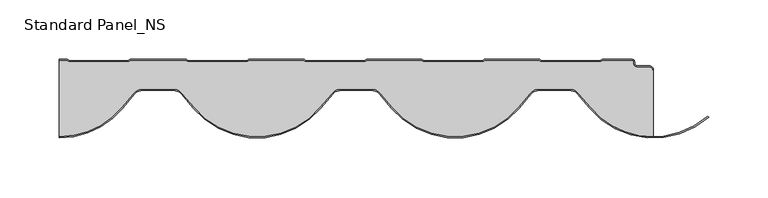
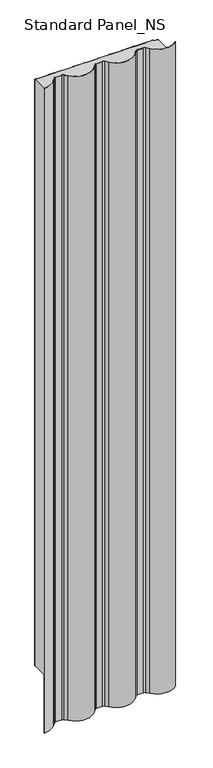
"""IFC4 building model written with IfcOpenShell, lengths in millimetres: proxy geometry, Standard Panel_NS."""

from ifc_helpers import new_model, si_unit, point, frame, frame_2d, origin, origin_with_axes, place, context, project, spatial, polyline, circle_curve, trimmed, segment, composite_curve, outline, extrude, source, transform, mapped, element, save


def standard_panel_ns_c7dbaa50(model_context):
    return source(origin(), model_context, "Body", "SweptSolid", [
        extrude(outline(composite_curve([segment(trimmed(circle_curve(frame_2d((-250.0019094, 4.0757294)), 69.0757185), [point((-197.0868605, -40.3253121))], [point((-249.4999998, -64.9981657))], False, "CARTESIAN"), True, "CONTINUOUS"), segment(polyline([(-249.4999998, -64.9981657), (-249.4999998, -1.0), (-242.9088584, -1.0), (-241.1768076, -2.0), (-191.7571923, -2.0), (-190.0251415, -1.0), (-143.0079563, -1.0), (-141.2759055, -2.0), (-91.8562902, -2.0), (-90.1242394, -1.0), (-44.0079563, -1.0), (-42.2759055, -2.0), (7.1437098, -2.0), (8.8757606, -1.0), (55.1361929, -1.0), (56.8682437, -2.0), (106.2878589, -2.0), (108.0199097, -1.0), (154.1361929, -1.0), (155.8682437, -2.0), (205.2878589, -2.0), (207.0199097, -1.0), (232.2144661, -1.0)]), True, "CONTINUOUS"), segment(trimmed(circle_curve(frame_2d((232.2144661, -1.9)), 0.9), [point((232.2144661, -1.0))], [point((233.1144661, -1.9))], False, "CARTESIAN"), True, "CONTINUOUS"), segment(polyline([(233.1144661, -1.9), (233.1144661, -3.3)]), True, "CONTINUOUS"), segment(trimmed(circle_curve(frame_2d((236.2144661, -3.3)), 3.1), [point((233.1144661, -3.3))], [point((236.2144661, -6.4))], True, "CARTESIAN"), True, "CONTINUOUS"), segment(polyline([(236.2144661, -6.4), (246.5000906, -6.4)]), True, "CONTINUOUS"), segment(trimmed(circle_curve(frame_2d((246.5000906, -8.9)), 2.5), [point((246.5000906, -6.4))], [point((249.0000906, -8.9))], False, "CARTESIAN"), True, "CONTINUOUS"), segment(polyline([(249.0000906, -8.9), (250.0000906, -8.9), (250.0000906, -64.999989)]), True, "CONTINUOUS"), segment(trimmed(circle_curve(frame_2d((249.9960906, 4.0757294)), 69.0757185), [point((250.0000906, -64.999989))], [point((197.0810203, -40.3252866))], False, "CARTESIAN"), True, "CONTINUOUS"), segment(polyline([(197.0810203, -40.3252866), (187.2938708, -28.6614162)]), True, "CONTINUOUS"), segment(trimmed(circle_curve(frame_2d((179.4419153, -35.2499892)), 10.25), [point((187.2938708, -28.6614162))], [point((179.4419153, -24.9999892))], True, "CARTESIAN"), True, "CONTINUOUS"), segment(polyline([(179.4419153, -24.9999892), (153.8837706, -24.9999892)]), True, "CONTINUOUS"), segment(trimmed(circle_curve(frame_2d((153.8804815, -35.2418743)), 10.2418857), [point((153.8837706, -24.9999892))], [point((146.0321821, -28.6615689))], True, "CARTESIAN"), True, "CONTINUOUS"), segment(polyline([(146.0321821, -28.6615689), (136.2451609, -40.3252866)]), True, "CONTINUOUS"), segment(trimmed(circle_curve(frame_2d((83.3300906, 4.0757294)), 69.0757185), [point((136.2451609, -40.3252866))], [point((30.4150203, -40.3252866))], False, "CARTESIAN"), True, "CONTINUOUS"), segment(polyline([(30.4150203, -40.3252866), (20.6278708, -28.6614162)]), True, "CONTINUOUS"), segment(trimmed(circle_curve(frame_2d((12.7759153, -35.2499892)), 10.25), [point((20.6278708, -28.6614162))], [point((12.7759153, -24.9999892))], True, "CARTESIAN"), True, "CONTINUOUS"), segment(polyline([(12.7759153, -24.9999892), (-12.7822294, -24.9999892)]), True, "CONTINUOUS"), segment(trimmed(circle_curve(frame_2d((-12.7855185, -35.2418743)), 10.2418857), [point((-12.7822294, -24.9999892))], [point((-20.6338179, -28.661569))], True, "CARTESIAN"), True, "CONTINUOUS"), segment(polyline([(-20.6338179, -28.661569), (-30.4208391, -40.3252866)]), True, "CONTINUOUS"), segment(trimmed(circle_curve(frame_2d((-83.3359094, 4.0757294)), 69.0757185), [point((-30.4208391, -40.3252866))], [point((-136.2510197, -40.325239))], False, "CARTESIAN"), True, "CONTINUOUS"), segment(polyline([(-136.2510197, -40.325239), (-146.0381194, -28.6614065)]), True, "CONTINUOUS"), segment(trimmed(circle_curve(frame_2d((-153.8900883, -35.2499786)), 10.2500097), [point((-146.0381194, -28.6614065))], [point((-153.8900883, -24.9999689))], True, "CARTESIAN"), True, "CONTINUOUS"), segment(polyline([(-153.8900883, -24.9999689), (-179.4481443, -24.9999689)]), True, "CONTINUOUS"), segment(trimmed(circle_curve(frame_2d((-179.4481443, -35.2490325)), 10.2490635), [point((-179.4481443, -24.9999689))], [point((-187.2993793, -28.6610576))], True, "CARTESIAN"), True, "CONTINUOUS"), segment(polyline([(-187.2993793, -28.6610576), (-197.0868605, -40.3253121)]), True, "CONTINUOUS")], self_intersect=False)), origin_with_axes(), (0.0, 0.0, 1.0), 2527.968552),
        extrude(outline(composite_curve([segment(polyline([(-242.9088584, -1.0), (-249.4999998, -1.0), (-249.4999998, 0.0), (-243.0830254, 0.0)]), True, "CONTINUOUS"), segment(trimmed(circle_curve(frame_2d((-243.0830254, -1.65)), 1.65), [point((-243.0830254, 0.0))], [point((-242.2580254, -0.2210581))], False, "CARTESIAN"), True, "CONTINUOUS"), segment(polyline([(-242.2580254, -0.2210581), (-240.9088584, -1.0), (-192.0251415, -1.0), (-190.6759746, -0.2210581)]), True, "CONTINUOUS"), segment(trimmed(circle_curve(frame_2d((-189.8509746, -1.65)), 1.65), [point((-190.6759746, -0.2210581))], [point((-189.8509746, 0.0))], False, "CARTESIAN"), True, "CONTINUOUS"), segment(polyline([(-189.8509746, 0.0), (-143.1821233, 0.0)]), True, "CONTINUOUS"), segment(trimmed(circle_curve(frame_2d((-143.1821233, -1.65)), 1.65), [point((-143.1821233, 0.0))], [point((-142.3571233, -0.2210581))], False, "CARTESIAN"), True, "CONTINUOUS"), segment(polyline([(-142.3571233, -0.2210581), (-141.0079563, -1.0), (-92.1242394, -1.0), (-90.7750725, -0.2210581)]), True, "CONTINUOUS"), segment(trimmed(circle_curve(frame_2d((-89.9500725, -1.65)), 1.65), [point((-90.7750725, -0.2210581))], [point((-89.9500725, 0.0))], False, "CARTESIAN"), True, "CONTINUOUS"), segment(polyline([(-89.9500725, 0.0), (-44.0307229, 0.0)]), True, "CONTINUOUS"), segment(trimmed(circle_curve(frame_2d((-44.0307229, -1.2379622)), 1.2379622), [point((-44.0307229, 0.0))], [point((-43.2277028, -0.295779))], False, "CARTESIAN"), True, "CONTINUOUS"), segment(polyline([(-43.2277028, -0.295779), (-42.0079563, -1.0), (6.8757606, -1.0), (8.2249275, -0.2210581)]), True, "CONTINUOUS"), segment(trimmed(circle_curve(frame_2d((9.0499275, -1.65)), 1.65), [point((8.2249275, -0.2210581))], [point((9.0499275, 0.0))], False, "CARTESIAN"), True, "CONTINUOUS"), segment(polyline([(9.0499275, 0.0), (54.9620259, 0.0)]), True, "CONTINUOUS"), segment(trimmed(circle_curve(frame_2d((54.9620259, -1.65)), 1.65), [point((54.9620259, 0.0))], [point((55.7870259, -0.2210581))], False, "CARTESIAN"), True, "CONTINUOUS"), segment(polyline([(55.7870259, -0.2210581), (57.1361929, -1.0), (106.0199097, -1.0), (107.2442864, -0.2931058)]), True, "CONTINUOUS"), segment(trimmed(circle_curve(frame_2d((108.0426763, -1.2339188)), 1.2339188), [point((107.2442864, -0.2931058))], [point((108.0426763, 0.0))], False, "CARTESIAN"), True, "CONTINUOUS"), segment(polyline([(108.0426763, 0.0), (153.9620259, 0.0)]), True, "CONTINUOUS"), segment(trimmed(circle_curve(frame_2d((153.9620259, -1.65)), 1.65), [point((153.9620259, 0.0))], [point((154.7870259, -0.2210581))], False, "CARTESIAN"), True, "CONTINUOUS"), segment(polyline([(154.7870259, -0.2210581), (156.1361929, -1.0), (205.0199097, -1.0), (206.3690767, -0.2210581)]), True, "CONTINUOUS"), segment(trimmed(circle_curve(frame_2d((207.1940767, -1.65)), 1.65), [point((206.3690767, -0.2210581))], [point((207.1940767, 0.0))], False, "CARTESIAN"), True, "CONTINUOUS"), segment(polyline([(207.1940767, 0.0), (232.2144661, 0.0)]), True, "CONTINUOUS"), segment(trimmed(circle_curve(frame_2d((232.2144661, -1.9)), 1.9), [point((232.2144661, 0.0))], [point((234.1144661, -1.9))], False, "CARTESIAN"), True, "CONTINUOUS"), segment(polyline([(234.1144661, -1.9), (234.1144661, -3.3)]), True, "CONTINUOUS"), segment(trimmed(circle_curve(frame_2d((236.2144661, -3.3)), 2.1), [point((234.1144661, -3.3))], [point((236.2144661, -5.4))], True, "CARTESIAN"), True, "CONTINUOUS"), segment(polyline([(236.2144661, -5.4), (246.5000906, -5.4)]), True, "CONTINUOUS"), segment(trimmed(circle_curve(frame_2d((246.5000906, -8.9)), 3.5), [point((246.5000906, -5.4))], [point((250.0000906, -8.9))], False, "CARTESIAN"), True, "CONTINUOUS"), segment(polyline([(250.0000906, -8.9), (249.0000906, -8.9)]), True, "CONTINUOUS"), segment(trimmed(circle_curve(frame_2d((246.5000906, -8.9)), 2.5), [point((249.0000906, -8.9))], [point((246.5000906, -6.4))], True, "CARTESIAN"), True, "CONTINUOUS"), segment(polyline([(246.5000906, -6.4), (236.2144661, -6.4)]), True, "CONTINUOUS"), segment(trimmed(circle_curve(frame_2d((236.2144661, -3.3)), 3.1), [point((236.2144661, -6.4))], [point((233.1144661, -3.3))], False, "CARTESIAN"), True, "CONTINUOUS"), segment(polyline([(233.1144661, -3.3), (233.1144661, -1.9)]), True, "CONTINUOUS"), segment(trimmed(circle_curve(frame_2d((232.2144661, -1.9)), 0.9), [point((233.1144661, -1.9))], [point((232.2144661, -1.0))], True, "CARTESIAN"), True, "CONTINUOUS"), segment(polyline([(232.2144661, -1.0), (207.0199097, -1.0), (205.2878589, -2.0), (155.8682437, -2.0), (154.1361929, -1.0), (108.0199097, -1.0), (106.2878589, -2.0), (56.8682437, -2.0), (55.1361929, -1.0), (8.8757606, -1.0), (7.1437098, -2.0), (-42.2759055, -2.0), (-44.0079563, -1.0), (-90.1242394, -1.0), (-91.8562902, -2.0), (-141.2759055, -2.0), (-143.0079563, -1.0), (-190.0251415, -1.0), (-191.7571923, -2.0), (-241.1768076, -2.0), (-242.9088584, -1.0)]), True, "CONTINUOUS")], self_intersect=False)), origin_with_axes(), (0.0, 0.0, 1.0), 2527.968552),
        extrude(outline(composite_curve([segment(trimmed(circle_curve(frame_2d((-250.0019094, 4.0751186)), 70.0757185), [point((-196.3208164, -40.9687109))], [point((-249.4999998, -65.9988025))], False, "CARTESIAN"), True, "CONTINUOUS"), segment(polyline([(-249.4999998, -65.9988025), (-249.4999998, -64.9987764)]), True, "CONTINUOUS"), segment(trimmed(circle_curve(frame_2d((-250.0019094, 4.0751186)), 69.0757185), [point((-249.4999998, -64.9987764))], [point((-197.0868605, -40.3259229))], True, "CARTESIAN"), True, "CONTINUOUS"), segment(polyline([(-197.0868605, -40.3259229), (-187.2993793, -28.6616684)]), True, "CONTINUOUS"), segment(trimmed(circle_curve(frame_2d((-179.4481443, -35.2496432)), 10.2490635), [point((-187.2993793, -28.6616684))], [point((-179.4481443, -25.0005797))], False, "CARTESIAN"), True, "CONTINUOUS"), segment(polyline([(-179.4481443, -25.0005797), (-153.8900883, -25.0005797)]), True, "CONTINUOUS"), segment(trimmed(circle_curve(frame_2d((-153.8900883, -35.2505893)), 10.2500097), [point((-153.8900883, -25.0005797))], [point((-146.0381194, -28.6620172))], False, "CARTESIAN"), True, "CONTINUOUS"), segment(polyline([(-146.0381194, -28.6620172), (-136.2510197, -40.3258498)]), True, "CONTINUOUS"), segment(trimmed(circle_curve(frame_2d((-83.3359094, 4.0751186)), 69.0757185), [point((-136.2510197, -40.3258498))], [point((-30.4208391, -40.3258974))], True, "CARTESIAN"), True, "CONTINUOUS"), segment(polyline([(-30.4208391, -40.3258974), (-20.6338179, -28.6621797)]), True, "CONTINUOUS"), segment(trimmed(circle_curve(frame_2d((-12.7855185, -35.2424851)), 10.2418857), [point((-20.6338179, -28.6621797))], [point((-12.7822295, -25.0005999))], False, "CARTESIAN"), True, "CONTINUOUS"), segment(polyline([(-12.7822295, -25.0005999), (12.7759153, -25.0005999)]), True, "CONTINUOUS"), segment(trimmed(circle_curve(frame_2d((12.7759153, -35.2505999)), 10.25), [point((12.7759153, -25.0005999))], [point((20.6278708, -28.6620269))], False, "CARTESIAN"), True, "CONTINUOUS"), segment(polyline([(20.6278708, -28.6620269), (30.4150203, -40.3258974)]), True, "CONTINUOUS"), segment(trimmed(circle_curve(frame_2d((83.3300906, 4.0751186)), 69.0757185), [point((30.4150203, -40.3258974))], [point((136.2451609, -40.3258974))], True, "CARTESIAN"), True, "CONTINUOUS"), segment(polyline([(136.2451609, -40.3258974), (146.0321821, -28.6621797)]), True, "CONTINUOUS"), segment(trimmed(circle_curve(frame_2d((153.8804815, -35.2424851)), 10.2418857), [point((146.0321821, -28.6621797))], [point((153.8837705, -25.0005999))], False, "CARTESIAN"), True, "CONTINUOUS"), segment(polyline([(153.8837705, -25.0005999), (179.4419153, -25.0005999)]), True, "CONTINUOUS"), segment(trimmed(circle_curve(frame_2d((179.4419153, -35.2505999)), 10.25), [point((179.4419153, -25.0005999))], [point((187.2938708, -28.6620269))], False, "CARTESIAN"), True, "CONTINUOUS"), segment(polyline([(187.2938708, -28.6620269), (197.0810203, -40.3258974)]), True, "CONTINUOUS"), segment(trimmed(circle_curve(frame_2d((249.9960906, 4.0751186)), 69.0757185), [point((197.0810203, -40.3258974))], [point((295.6376563, -47.7737229))], True, "CARTESIAN"), True, "CONTINUOUS"), segment(polyline([(295.6376563, -47.7737229), (296.3461744, -48.4822411)]), True, "CONTINUOUS"), segment(trimmed(circle_curve(frame_2d((249.9960906, 4.0751186)), 70.0757185), [point((296.3461744, -48.4822411))], [point((196.3149758, -40.968685))], False, "CARTESIAN"), True, "CONTINUOUS"), segment(polyline([(196.3149758, -40.968685), (186.5278264, -29.3048145)]), True, "CONTINUOUS"), segment(trimmed(circle_curve(frame_2d((179.4419153, -35.2505999)), 9.25), [point((186.5278264, -29.3048145))], [point((179.4419153, -26.0005999))], True, "CARTESIAN"), True, "CONTINUOUS"), segment(polyline([(179.4419153, -26.0005999), (153.8836059, -26.0005999)]), True, "CONTINUOUS"), segment(trimmed(circle_curve(frame_2d((153.8804815, -35.2424851)), 9.2418857), [point((153.8836059, -26.0005999))], [point((146.7983548, -29.3048145))], True, "CARTESIAN"), True, "CONTINUOUS"), segment(polyline([(146.7983548, -29.3048145), (137.0112053, -40.968685)]), True, "CONTINUOUS"), segment(trimmed(circle_curve(frame_2d((83.3300906, 4.0751186)), 70.0757185), [point((137.0112053, -40.968685))], [point((29.6489758, -40.968685))], False, "CARTESIAN"), True, "CONTINUOUS"), segment(polyline([(29.6489758, -40.968685), (19.8618264, -29.3048145)]), True, "CONTINUOUS"), segment(trimmed(circle_curve(frame_2d((12.7759153, -35.2505999)), 9.25), [point((19.8618264, -29.3048145))], [point((12.7759153, -26.0005999))], True, "CARTESIAN"), True, "CONTINUOUS"), segment(polyline([(12.7759153, -26.0005999), (-12.7823941, -26.0005999)]), True, "CONTINUOUS"), segment(trimmed(circle_curve(frame_2d((-12.7855185, -35.2424851)), 9.2418857), [point((-12.7823941, -26.0005999))], [point((-19.8676452, -29.3048145))], True, "CARTESIAN"), True, "CONTINUOUS"), segment(polyline([(-19.8676452, -29.3048145), (-29.6547947, -40.968685)]), True, "CONTINUOUS"), segment(trimmed(circle_curve(frame_2d((-83.3359094, 4.0751186)), 70.0757185), [point((-29.6547947, -40.968685))], [point((-137.0170647, -40.9686367))], False, "CARTESIAN"), True, "CONTINUOUS"), segment(polyline([(-137.0170647, -40.9686367), (-146.8041644, -29.3048041)]), True, "CONTINUOUS"), segment(trimmed(circle_curve(frame_2d((-153.8900883, -35.2505893)), 9.2500097), [point((-146.8041644, -29.3048041))], [point((-153.8900883, -26.0005797))], True, "CARTESIAN"), True, "CONTINUOUS"), segment(polyline([(-153.8900883, -26.0005797), (-179.4481443, -26.0005797)]), True, "CONTINUOUS"), segment(trimmed(circle_curve(frame_2d((-179.4481443, -35.2496432)), 9.2490635), [point((-179.4481443, -26.0005797))], [point((-186.5333351, -29.3044564))], True, "CARTESIAN"), True, "CONTINUOUS"), segment(polyline([(-186.5333351, -29.3044564), (-196.3208164, -40.9687109)]), True, "CONTINUOUS")], self_intersect=False)), frame((0.0, 0.0, -250.0), z_axis=(0.0, 0.0, 1.0), x_axis=(1.0, 0.0, 0.0)), (0.0, 0.0, 1.0), 2777.968552),
    ])


if __name__ == "__main__":
    model = new_model("IFC4")
    model_context = context("Model", 3, world=origin())
    ifc_project = project(units=[si_unit("LENGTHUNIT", "METRE", prefix="MILLI")], contexts=[model_context])
    site = spatial("IfcSite", under=ifc_project)
    building = spatial("IfcBuilding", under=site)
    placement = place(None, origin())
    standard_panel_ns_shape = standard_panel_ns_c7dbaa50(model_context)
    element("IfcBuildingElementProxy", 1, Name="Standard Panel_NS", ObjectType="Standard Panel_NS", at=placement, inside=building, context=model_context, shape_type="MappedRepresentation", body=[
        mapped(standard_panel_ns_shape, transform((0.0, 0.0, 0.0), x_axis=(1.0, 0.0, 0.0), y_axis=(0.0, 1.0, 0.0), z_axis=(0.0, 0.0, 1.0))),
    ])
    save(model, "model.ifc")
